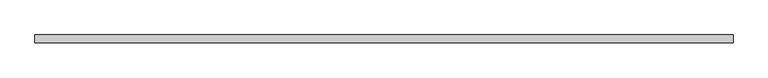
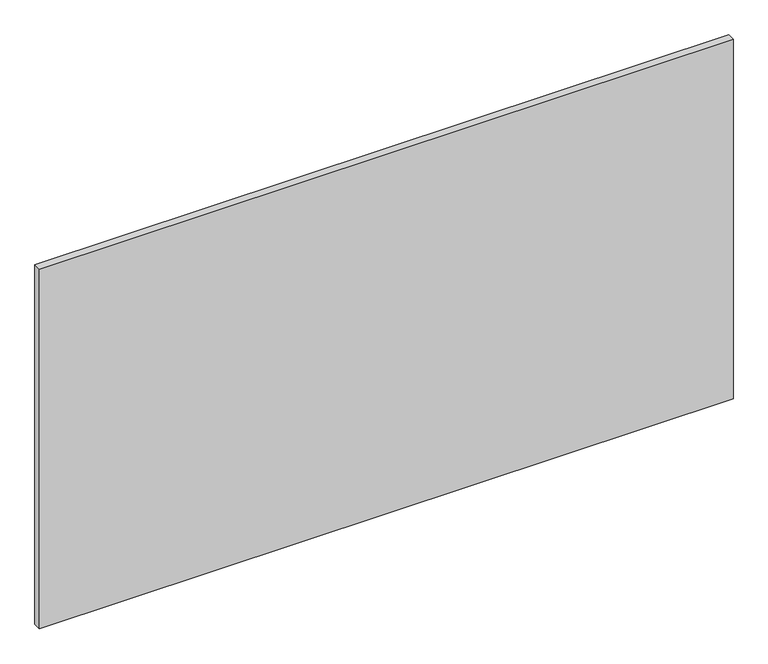
"""IFC4 building model written with IfcOpenShell, lengths in millimetres: plate geometry."""

from ifc_helpers import new_model, si_unit, origin, origin_with_axes, place, context, project, spatial, polyline, outline, extrude, source, transform, mapped, element, save


def plate_dae2c760(model_context):
    return source(origin(), model_context, "Body", "SweptSolid", [
        extrude(outline(polyline([(625.0, -64.0), (-625.0, -64.0), (-625.0, -50.0), (625.0, -50.0), (625.0, -64.0)])), origin_with_axes(), (0.0, 0.0, 1.0), 685.0),
    ])


if __name__ == "__main__":
    model = new_model("IFC4")
    model_context = context("Model", 3, world=origin())
    ifc_project = project(units=[si_unit("LENGTHUNIT", "METRE", prefix="MILLI")], contexts=[model_context])
    site = spatial("IfcSite", under=ifc_project)
    building = spatial("IfcBuilding", under=site)
    placement = place(None, origin())
    plate_shape = plate_dae2c760(model_context)
    element("IfcPlate", 1, at=placement, inside=building, context=model_context, shape_type="MappedRepresentation", body=[
        mapped(plate_shape, transform((0.0, 0.0, 0.0), x_axis=(1.0, 0.0, 0.0), y_axis=(0.0, 1.0, 0.0), z_axis=(0.0, 0.0, 1.0))),
    ])
    save(model, "model.ifc")
